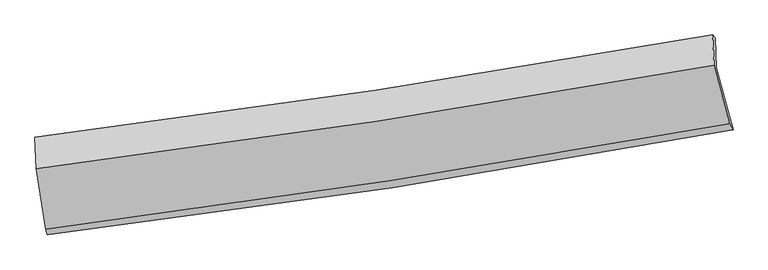
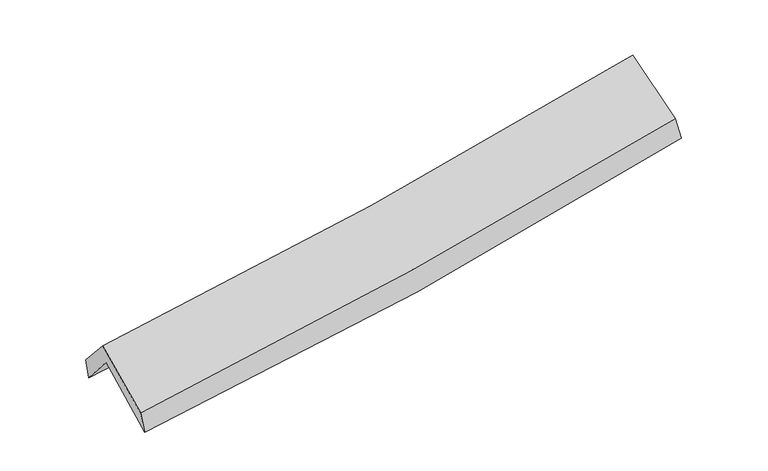
"""IFC4 building model written with IfcOpenShell, lengths in millimetres: proxy geometry."""

from ifc_helpers import new_model, si_unit, frame, origin, place, context, project, spatial, source, transform, mapped, element, save
from ifc_brep_helpers import plane_surface, spline_curve, spline_surface, advanced_brep


def generic_models_9c36337b(model_context):
    return source(origin(), model_context, "Body", "AdvancedBrep", [
        advanced_brep(
        [(-2737.229965, -2505.9541031, 1469.2191321), (-2814.5681333, -2002.5221982, 1899.3053196), (2741.8330143, -1139.6310435, 2402.7541298), (2879.5887725, -1646.9739553, 1957.8039931), (-2827.2229599, -1739.9384617, 1589.6656806), (2734.599007, -898.810719, 2078.5249061), (-2839.1821822, -1708.9067755, 1754.8976625), (2711.6869791, -869.7918087, 2242.3825027), (-2826.2051458, -1967.7828495, 2050.5039096), (2724.6840221, -1118.8114399, 2526.8577958), (-2751.1678092, -2463.2236935, 1647.9450987), (2851.8101556, -1598.6210285, 2135.0910522)],
        [
            (0, 1),
            (1, 2, spline_curve(3, [(-2814.5681333, -2002.5221982, 1899.3053196), (-1877.940385846, -1891.717718898, 1945.082743698), (-945.630739742, -1764.222087632, 2010.053718382), (906.466892581, -1476.452225203, 2178.030377215), (1826.290962225, -1316.317471345, 2280.875672349), (2741.8330143, -1139.6310435, 2402.7541298)], [4, 2, 4], [0.0, 9.331251127318382, 18.623432734915674])),
            (2, 3),
            (3, 0, spline_curve(3, [(2879.5887725, -1646.9739553, 1957.8039931), (1952.655647783, -1819.33917179, 1844.591456119), (1022.110397059, -1976.984236104, 1747.321682123), (-850.132077056, -2263.434995827, 1584.325715112), (-1791.859738505, -2392.11664743, 1518.733869086), (-2737.229965, -2505.9541031, 1469.2191321)], [4, 2, 4], [0.0, 9.292181607597293, 18.623432734915674])),
            (1, 4),
            (4, 5, spline_curve(3, [(-2827.2229599, -1739.9384617, 1589.6656806), (-1891.510830685, -1625.350095555, 1637.732319378), (-959.204401154, -1497.787725056, 1702.624595011), (894.707795476, -1217.303395287, 1865.718271842), (1816.342021208, -1064.489851333, 1963.779071115), (2734.599007, -898.810719, 2078.5249061)], [4, 2, 4], [0.0, 9.284461603194096, 18.53004959225474])),
            (5, 2),
            (4, 6),
            (6, 7, spline_curve(3, [(-2839.1821822, -1708.9067755, 1754.8976625), (-1906.291297255, -1591.81667245, 1809.960370236), (-976.309097283, -1463.174493374, 1878.228328872), (873.956316876, -1183.372971128, 2040.833623543), (1794.263837517, -1032.310160894, 2135.060611666), (2711.6869791, -869.7918087, 2242.3825027)], [4, 2, 4], [0.0, 9.274844519365748, 18.510855690886153])),
            (7, 5),
            (6, 8),
            (8, 9, spline_curve(3, [(-2826.2051458, -1967.7828495, 2050.5039096), (-1893.248724611, -1850.188298153, 2105.006704995), (-963.232151355, -1720.469604281, 2172.06381916), (887.039671304, -1437.377820358, 2330.953356426), (1807.31948758, -1284.106044427, 2422.680871006), (2724.6840221, -1118.8114399, 2526.8577958)], [4, 2, 4], [0.0, 9.265609485172735, 18.492424289163964])),
            (9, 7),
            (8, 10),
            (10, 11, spline_curve(3, [(-2751.1678092, -2463.2236935, 1647.9450987), (-1809.81702267, -2340.842215073, 1706.00559382), (-871.253107037, -2207.427003143, 1775.740942247), (996.382926348, -1919.133912556, 1938.220486376), (1925.478332346, -1764.348236412, 2030.867122223), (2851.8101556, -1598.6210285, 2135.0910522)], [4, 2, 4], [0.0, 9.310759374376648, 18.582535027060224])),
            (11, 9),
            (10, 0),
            (3, 11),
        ],
        [
            spline_surface(3, 3, [[(-2737.229965, -2505.9541031, 1469.2191321), (-1791.859738444, -2392.1166475, 1518.733869053), (-850.132076909, -2263.434995786, 1584.325715246), (1022.110396913, -1976.984236144, 1747.32168199), (1952.655647937, -1819.339171928, 1844.591456097), (2879.5887725, -1646.9739553, 1957.8039931)], [(-2763.009354435, -2338.143468121, 1612.58119459), (-1820.553287611, -2225.317004591, 1660.850160559), (-881.964964516, -2097.030693068, 1726.235049656), (983.562562092, -1810.140232483, 1890.891247035), (1910.53408602, -1651.665271752, 1990.019528154), (2833.670186458, -1477.85965135, 2106.120705334)], [(-2788.788743865, -2170.332833179, 1755.94325711), (-1849.246836773, -2058.51736172, 1802.966452095), (-913.797852064, -1930.626390371, 1868.144384063), (945.014727331, -1643.296228843, 2034.460812079), (1868.412524029, -1483.991371626, 2135.447600209), (2787.751600342, -1308.74534745, 2254.437417566)], [(-2814.5681333, -2002.5221982, 1899.3053196), (-1877.94038594, -1891.717718811, 1945.082743601), (-945.630739671, -1764.222087653, 2010.053718473), (906.46689251, -1476.452225182, 2178.030377124), (1826.290962112, -1316.317471451, 2280.875672265), (2741.8330143, -1139.6310435, 2402.7541298)]], [4, 4], [4, 2, 4], [0.0, 2.1870387547501715], [0.0, 9.331251127318382, 18.623432734915674]),
            spline_surface(3, 3, [[(-2814.5681333, -2002.5221982, 1899.3053196), (-1877.94038594, -1891.717718811, 1945.082743601), (-945.630739671, -1764.222087653, 2010.053718473), (906.46689251, -1476.452225182, 2178.030377124), (1826.290962112, -1316.317471451, 2280.875672265), (2741.8330143, -1139.6310435, 2402.7541298)], [(-2818.786408861, -1914.99428602, 1796.092106616), (-1882.46386758, -1802.928511043, 1842.632602208), (-950.155293442, -1675.410633481, 1907.577344043), (902.547193464, -1390.06928187, 2073.926341986), (1822.974648463, -1232.37493144, 2175.176805182), (2739.421678538, -1059.357602012, 2294.677721872)], [(-2823.004684339, -1827.46637388, 1692.878893584), (-1886.987349137, -1714.139303314, 1740.182460767), (-954.679847245, -1586.59917929, 1805.100969594), (898.627494385, -1303.686338538, 1969.822306828), (1819.658334801, -1148.432391394, 2069.477938182), (2737.010342762, -979.084160488, 2186.601314028)], [(-2827.2229599, -1739.9384617, 1589.6656806), (-1891.510830776, -1625.350095547, 1637.732319374), (-959.204401016, -1497.787725117, 1702.624595164), (894.707795338, -1217.303395226, 1865.718271689), (1816.342021152, -1064.489851384, 1963.779071099), (2734.599007, -898.810719, 2078.5249061)]], [4, 4], [4, 2, 4], [0.0, 1.3336581181606026], [0.0, 9.284461603194096, 18.53004959225474]),
            spline_surface(3, 3, [[(-2827.2229599, -1739.9384617, 1589.6656806), (-1891.510830776, -1625.350095547, 1637.732319374), (-959.204401016, -1497.787725117, 1702.624595164), (894.707795338, -1217.303395226, 1865.718271689), (1816.342021152, -1064.489851384, 1963.779071099), (2734.599007, -898.810719, 2078.5249061)], [(-2831.209367319, -1729.594566322, 1644.743007897), (-1896.437652876, -1614.172287846, 1695.141669633), (-964.905966493, -1486.249981245, 1761.159173048), (887.790635866, -1205.993253836, 1924.090055664), (1808.982626652, -1053.763287924, 2020.872917977), (2726.961664362, -889.137748898, 2133.144104982)], [(-2835.195774781, -1719.250670878, 1699.820335203), (-1901.364475017, -1602.994480078, 1752.551019902), (-970.607531912, -1474.712237346, 1819.693750925), (880.873476453, -1194.683112419, 1982.461839632), (1801.623232166, -1043.036724469, 2077.96676481), (2719.324321738, -879.464778802, 2187.763303818)], [(-2839.1821822, -1708.9067755, 1754.8976625), (-1906.291297117, -1591.816672377, 1809.960370161), (-976.309097389, -1463.174493474, 1878.228328808), (873.956316982, -1183.372971029, 2040.833623606), (1794.263837666, -1032.310161009, 2135.060611689), (2711.6869791, -869.7918087, 2242.3825027)]], [4, 4], [4, 2, 4], [0.0, 0.5894926141143367], [0.0, 9.274844519365748, 18.510855690886153]),
            spline_surface(3, 3, [[(-2839.1821822, -1708.9067755, 1754.8976625), (-1906.291297117, -1591.816672377, 1809.960370161), (-976.309097389, -1463.174493474, 1878.228328808), (873.956316982, -1183.372971029, 2040.833623606), (1794.263837666, -1032.310161009, 2135.060611689), (2711.6869791, -869.7918087, 2242.3825027)], [(-2834.856503385, -1795.198800145, 1853.433078199), (-1901.94377294, -1677.940547633, 1908.309148389), (-971.950115374, -1548.939530379, 1976.173492249), (878.317435147, -1268.041254153, 2137.540201232), (1798.615720944, -1116.242122173, 2230.934031431), (2716.019326769, -952.79835241, 2337.207600387)], [(-2830.530824615, -1881.490824855, 1951.968493901), (-1897.596248807, -1764.064422955, 2006.657926619), (-967.591133451, -1634.704567308, 2074.118655676), (882.678553219, -1352.709537302, 2234.246778844), (1802.967604214, -1200.174083407, 2326.807451213), (2720.351674431, -1035.80489619, 2432.032698113)], [(-2826.2051458, -1967.7828495, 2050.5039096), (-1893.24872463, -1850.188298211, 2105.006704847), (-963.232151435, -1720.469604213, 2172.063819117), (887.039671384, -1437.377820427, 2330.953356469), (1807.319487491, -1284.106044571, 2422.680870954), (2724.6840221, -1118.8114399, 2526.8577958)]], [4, 4], [4, 2, 4], [0.0, 1.273992843552774], [0.0, 9.265609485172735, 18.492424289163964]),
            spline_surface(3, 3, [[(-2826.2051458, -1967.7828495, 2050.5039096), (-1893.24872463, -1850.188298211, 2105.006704847), (-963.232151435, -1720.469604213, 2172.063819117), (887.039671384, -1437.377820427, 2330.953356469), (1807.319487491, -1284.106044571, 2422.680870954), (2724.6840221, -1118.8114399, 2526.8577958)], [(-2801.192700293, -2132.929797506, 1916.317639286), (-1865.438157314, -2013.739603856, 1972.006334446), (-932.572470008, -1882.788737156, 2039.956193506), (923.487423023, -1597.963184503, 2200.042399735), (1846.705769121, -1444.186775193, 2292.076288023), (2767.05939991, -1278.747969437, 2396.268881263)], [(-2776.180254707, -2298.076745494, 1782.131369014), (-1837.627589918, -2177.290909483, 1839.005964086), (-901.912788499, -2045.1078701, 1907.848567931), (959.935174744, -1758.54854858, 2069.131443038), (1886.09205082, -1604.267505804, 2161.471705103), (2809.43477779, -1438.684498963, 2265.679966737)], [(-2751.1678092, -2463.2236935, 1647.9450987), (-1809.817022602, -2340.842215128, 1706.005593685), (-871.253107072, -2207.427003043, 1775.74094232), (996.382926384, -1919.133912656, 1938.220486304), (1925.478332449, -1764.348236426, 2030.867122172), (2851.8101556, -1598.6210285, 2135.0910522)]], [4, 4], [4, 2, 4], [0.0, 2.076011093028033], [0.0, 9.310759374376648, 18.582535027060224]),
            spline_surface(3, 3, [[(-2751.1678092, -2463.2236935, 1647.9450987), (-1809.817022602, -2340.842215128, 1706.005593685), (-871.253107072, -2207.427003043, 1775.74094232), (996.382926384, -1919.133912656, 1938.220486304), (1925.478332449, -1764.348236426, 2030.867122172), (2851.8101556, -1598.6210285, 2135.0910522)], [(-2746.521861106, -2477.467163386, 1588.369776512), (-1803.831261188, -2357.933692604, 1643.581685486), (-864.21276366, -2226.096333957, 1711.935866627), (1004.958749918, -1938.417353819, 1874.587551531), (1934.537437607, -1782.678548287, 1968.775233509), (2861.069694562, -1614.738670793, 2075.995365862)], [(-2741.875913094, -2491.710633214, 1528.794454288), (-1797.845499857, -2375.025170024, 1581.157777252), (-857.172420322, -2244.765664872, 1648.130790939), (1013.534573378, -1957.700794981, 1810.954616762), (1943.596542779, -1801.008860067, 1906.68334476), (2870.329233538, -1630.856313007, 2016.899679438)], [(-2737.229965, -2505.9541031, 1469.2191321), (-1791.859738444, -2392.1166475, 1518.733869053), (-850.132076909, -2263.434995786, 1584.325715246), (1022.110396913, -1976.984236144, 1747.32168199), (1952.655647937, -1819.339171928, 1844.591456097), (2879.5887725, -1646.9739553, 1957.8039931)]], [4, 4], [4, 2, 4], [0.0, 0.6588701117426572], [0.0, 9.366735873382918, 18.694253654043415]),
            plane_surface(frame((2774.0336584, -1212.1066658, 2223.9023966), z_axis=(0.9792317073329797, 0.17260825548597608, 0.10635625741734984), x_axis=(0.2010393824298497, -0.7587788661110811, -0.6195464462454827))),
            plane_surface(frame((-2799.2626992, -2064.7213469, 1735.2561338), z_axis=(-0.9927589292828232, -0.10853819787426083, -0.05147006830605942), x_axis=(-0.07562959976802637, 0.2318639608040966, 0.9698037261833781))),
        ],
        [
            (0, [[1, 2, 3, 4]]),
            (1, [[5, 6, 7, -2]]),
            (2, [[8, 9, 10, -6]]),
            (3, [[11, 12, 13, -9]]),
            (4, [[14, 15, 16, -12]]),
            (5, [[17, -4, 18, -15]]),
            (6, [[-16, -18, -3, -7, -10, -13]]),
            (7, [[-17, -14, -11, -8, -5, -1]]),
        ],
    ),
    ])


if __name__ == "__main__":
    model = new_model("IFC4")
    model_context = context("Model", 3, world=origin())
    ifc_project = project(units=[si_unit("LENGTHUNIT", "METRE", prefix="MILLI")], contexts=[model_context])
    site = spatial("IfcSite", under=ifc_project)
    building = spatial("IfcBuilding", under=site)
    placement = place(None, origin())
    generic_models_shape = generic_models_9c36337b(model_context)
    element("IfcBuildingElementProxy", 1, Name="Generic Models", at=placement, inside=building, context=model_context, shape_type="MappedRepresentation", body=[
        mapped(generic_models_shape, transform((0.0, 0.0, 0.0), x_axis=(1.0, 0.0, 0.0), y_axis=(0.0, 1.0, 0.0), z_axis=(0.0, 0.0, 1.0))),
    ])
    save(model, "model.ifc")
